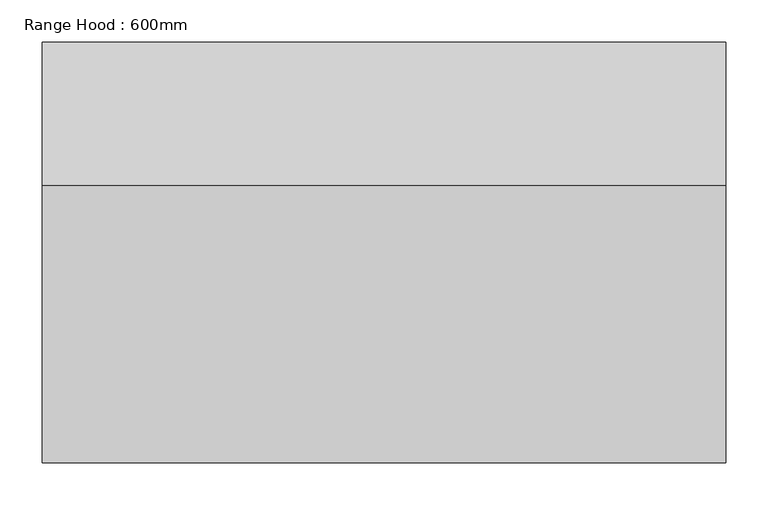
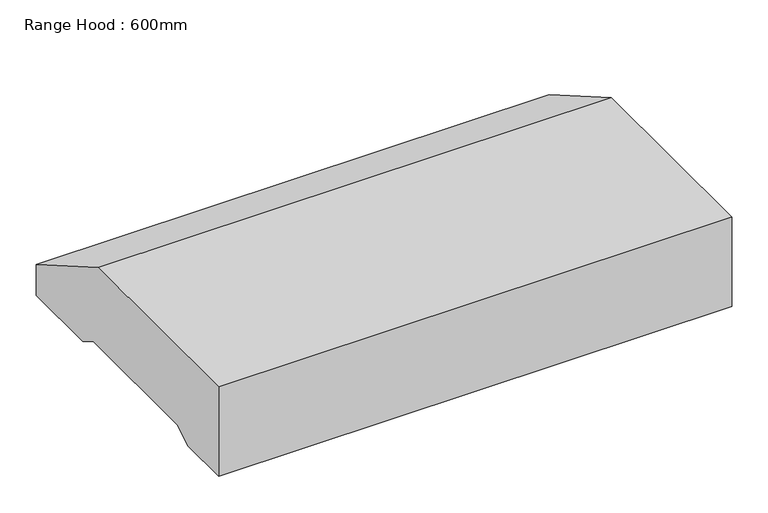
"""IFC4 building model written with IfcOpenShell, lengths in millimetres: proxy geometry, Range Hood : 600mm."""

from ifc_helpers import new_model, si_unit, frame, origin, place, context, project, spatial, polyline, outline, extrude, source, transform, mapped, element, save


def range_hood_600mm_ad62a928(model_context):
    return source(origin(), model_context, "Body", "SweptSolid", [
        extrude(outline(polyline([(63.5, 1550.0), (393.5, 1550.0), (563.5, 1452.2057055), (563.5, 1400.0), (436.5, 1400.0), (406.2528367, 1417.4), (177.1150085, 1417.4), (147.7, 1400.0), (63.5, 1400.0), (63.5, 1550.0)])), frame((-503.6, 0.0, 0.0), z_axis=(1.0, 0.0, 0.0), x_axis=(0.0, 1.0, 0.0)), (0.0, 0.0, 1.0), 812.8),
    ])


if __name__ == "__main__":
    model = new_model("IFC4")
    model_context = context("Model", 3, world=origin())
    ifc_project = project(units=[si_unit("LENGTHUNIT", "METRE", prefix="MILLI")], contexts=[model_context])
    site = spatial("IfcSite", under=ifc_project)
    building = spatial("IfcBuilding", under=site)
    placement = place(None, origin())
    range_hood_600mm_shape = range_hood_600mm_ad62a928(model_context)
    element("IfcBuildingElementProxy", 1, Name="Range Hood : 600mm", ObjectType="Range Hood : 600mm", at=placement, inside=building, context=model_context, shape_type="MappedRepresentation", body=[
        mapped(range_hood_600mm_shape, transform((0.0, 0.0, 0.0), x_axis=(1.0, 0.0, 0.0), y_axis=(0.0, 1.0, 0.0), z_axis=(0.0, 0.0, 1.0))),
    ])
    save(model, "model.ifc")
